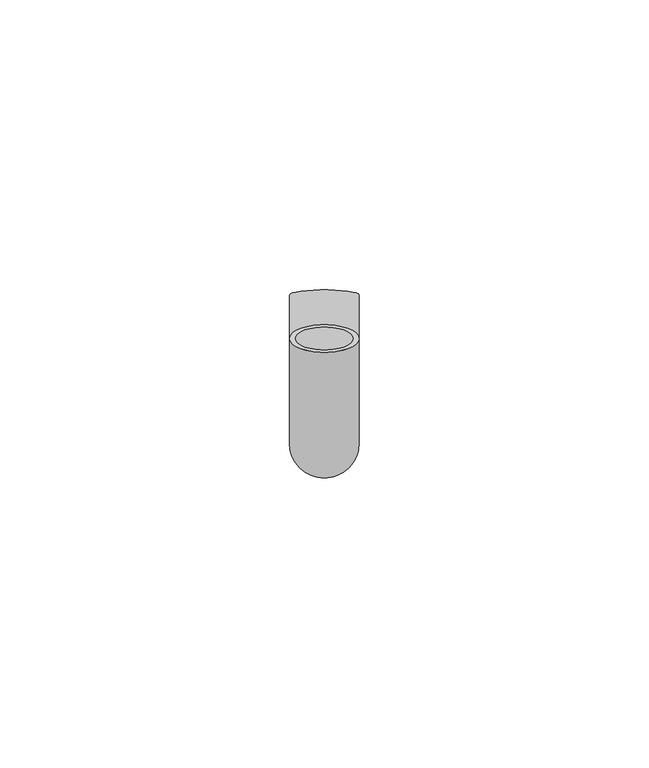
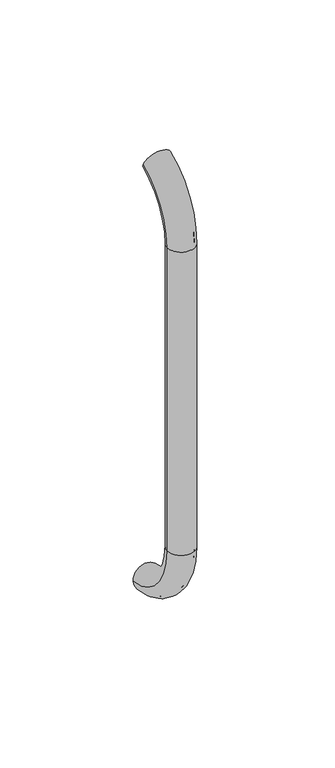
"""IFC4 building model written with IfcOpenShell, lengths in millimetres: beam geometry."""

from ifc_helpers import new_model, si_unit, point, frame, origin, place, context, project, spatial, polyline, circle_curve, ellipse_curve, trimmed, source, transform, mapped, element, save
from ifc_brep_helpers import plane_surface, cylinder_surface, revolved_surface, advanced_brep


def beam_58a1df82(model_context):
    return source(origin(), model_context, "Body", "AdvancedBrep", [
        advanced_brep(
        [(3911.4386176, 2444.0395554, 1993.7787656), (3923.4386176, 2444.0395554, 1993.7787656), (3912.4386176, 2444.0395554, 1993.7787656), (3922.4386176, 2444.0395554, 1993.7787656), (3922.4386176, 2425.9629385, 1966.25), (3912.4386176, 2425.9629385, 1966.25), (3923.4386176, 2425.9629385, 1966.25), (3911.4386176, 2425.9629385, 1966.25), (3912.4386176, 2425.9629385, 1826.25), (3922.4386176, 2425.9629385, 1826.25), (3911.4386176, 2425.9629385, 1826.25), (3923.4386176, 2425.9629385, 1826.25), (3911.4386176, 2451.5825147, 1796.5715249), (3923.4386176, 2451.5825147, 1796.5715249), (3912.4386176, 2451.5825147, 1796.5715249), (3922.4386176, 2451.5825147, 1796.5715249)],
        [
            (0, 1, circle_curve(frame((3917.4386176, 2444.0395554, 1993.7787656), z_axis=(0.0, 0.9176255197351176, 0.3974461039321624), x_axis=(1.0, 0.0, 0.0)), 6.0)),
            (1, 0, circle_curve(frame((3917.4386176, 2444.0395554, 1993.7787656), z_axis=(0.0, 0.9176255197351176, 0.3974461039321624), x_axis=(1.0, 0.0, 0.0)), 6.0)),
            (2, 3, circle_curve(frame((3917.4386176, 2444.0395554, 1993.7787656), z_axis=(0.0, -0.9176255197351176, -0.3974461039321624), x_axis=(1.0, 0.0, 0.0)), 5.0)),
            (3, 2, circle_curve(frame((3917.4386176, 2444.0395554, 1993.7787656), z_axis=(0.0, -0.9176255197351176, -0.3974461039321624), x_axis=(1.0, 0.0, 0.0)), 5.0)),
            (4, 3, circle_curve(frame((3922.4386176, 2455.9629385, 1966.25), z_axis=(-1.0, 0.0, 0.0), x_axis=(0.0, -0.3974461039321624, 0.9176255197351176)), 30.0)),
            (2, 5, circle_curve(frame((3912.4386176, 2455.9629385, 1966.25), z_axis=(1.0, 0.0, 0.0), x_axis=(0.0, -0.3974461039321624, 0.9176255197351176)), 30.0)),
            (5, 4, circle_curve(frame((3917.4386176, 2425.9629385, 1966.25), z_axis=(0.0, 0.0, -1.0), x_axis=(1.0, 0.0, 0.0)), 5.0)),
            (4, 5, circle_curve(frame((3917.4386176, 2425.9629385, 1966.25), z_axis=(0.0, 0.0, -1.0), x_axis=(1.0, 0.0, 0.0)), 5.0)),
            (6, 1, circle_curve(frame((3923.4386176, 2455.9629385, 1966.25), z_axis=(-1.0, 0.0, 0.0), x_axis=(0.0, -0.3974461039321624, 0.9176255197351176)), 30.0)),
            (0, 7, circle_curve(frame((3911.4386176, 2455.9629385, 1966.25), z_axis=(1.0, 0.0, 0.0), x_axis=(0.0, -0.3974461039321624, 0.9176255197351176)), 30.0)),
            (7, 6, circle_curve(frame((3917.4386176, 2425.9629385, 1966.25), z_axis=(0.0, 0.0, 1.0), x_axis=(1.0, 0.0, 0.0)), 6.0)),
            (6, 7, circle_curve(frame((3917.4386176, 2425.9629385, 1966.25), z_axis=(0.0, 0.0, 1.0), x_axis=(1.0, 0.0, 0.0)), 6.0)),
            (5, 8),
            (8, 9, circle_curve(frame((3917.4386176, 2425.9629385, 1826.25), z_axis=(0.0, 0.0, -1.0), x_axis=(1.0, 0.0, 0.0)), 5.0)),
            (9, 4),
            (9, 8, circle_curve(frame((3917.4386176, 2425.9629385, 1826.25), z_axis=(0.0, 0.0, -1.0), x_axis=(1.0, 0.0, 0.0)), 5.0)),
            (7, 10),
            (10, 11, circle_curve(frame((3917.4386176, 2425.9629385, 1826.25), z_axis=(0.0, 0.0, 1.0), x_axis=(1.0, 0.0, 0.0)), 6.0)),
            (11, 6),
            (11, 10, circle_curve(frame((3917.4386176, 2425.9629385, 1826.25), z_axis=(0.0, 0.0, 1.0), x_axis=(1.0, 0.0, 0.0)), 6.0)),
            (12, 13, circle_curve(frame((3917.4386176, 2451.5825147, 1796.5715249), z_axis=(0.0, 0.9892825047438852, -0.14601412879466394), x_axis=(1.0, 0.0, 0.0)), 6.0)),
            (13, 12, circle_curve(frame((3917.4386176, 2451.5825147, 1796.5715249), z_axis=(0.0, 0.9892825047438852, -0.14601412879466394), x_axis=(1.0, 0.0, 0.0)), 6.0)),
            (14, 15, circle_curve(frame((3917.4386176, 2451.5825147, 1796.5715249), z_axis=(0.0, -0.9892825047438852, 0.14601412879466394), x_axis=(1.0, 0.0, 0.0)), 5.0)),
            (15, 14, circle_curve(frame((3917.4386176, 2451.5825147, 1796.5715249), z_axis=(0.0, -0.9892825047438852, 0.14601412879466394), x_axis=(1.0, 0.0, 0.0)), 5.0)),
            (15, 9, circle_curve(frame((3922.4386176, 2455.9629385, 1826.25), z_axis=(-1.0, 0.0, 0.0), x_axis=(0.0, -1.0, 0.0)), 30.0)),
            (8, 14, circle_curve(frame((3912.4386176, 2455.9629385, 1826.25), z_axis=(1.0, 0.0, 0.0), x_axis=(0.0, -1.0, 0.0)), 30.0)),
            (13, 11, circle_curve(frame((3923.4386176, 2455.9629385, 1826.25), z_axis=(-1.0, 0.0, 0.0), x_axis=(0.0, -1.0, 0.0)), 30.0)),
            (10, 12, circle_curve(frame((3911.4386176, 2455.9629385, 1826.25), z_axis=(1.0, 0.0, 0.0), x_axis=(0.0, -1.0, 0.0)), 30.0)),
        ],
        [
            plane_surface(frame((3917.4386176, 2444.0395554, 1993.7787656), z_axis=(0.0, 0.9176255197351176, 0.3974461039321624), x_axis=(1.0, 0.0, 0.0))),
            revolved_surface(trimmed(ellipse_curve(frame((3917.4386176, 2444.0395554, 1993.7787656), z_axis=(0.0, -0.9176255197351176, -0.3974461039321624), x_axis=(1.0, 0.0, 0.0)), 5.0, 5.0), [point((3912.4386176, 2444.0395554, 1993.7787656))], [point((3922.4386176, 2444.0395554, 1993.7787656))], True, "CARTESIAN"), (3917.4386176, 2455.9629385, 1966.25), (1.0, 0.0, 0.0)),
            revolved_surface(trimmed(ellipse_curve(frame((3917.4386176, 2444.0395554, 1993.7787656), z_axis=(0.0, -0.9176255197351176, -0.3974461039321624), x_axis=(1.0, 0.0, 0.0)), 5.0, 5.0), [point((3922.4386176, 2444.0395554, 1993.7787656))], [point((3912.4386176, 2444.0395554, 1993.7787656))], True, "CARTESIAN"), (3917.4386176, 2455.9629385, 1966.25), (1.0, 0.0, 0.0)),
            revolved_surface(trimmed(ellipse_curve(frame((3917.4386176, 2444.0395554, 1993.7787656), z_axis=(0.0, 0.9176255197351176, 0.3974461039321624), x_axis=(1.0, 0.0, 0.0)), 6.0, 6.0), [point((3911.4386176, 2444.0395554, 1993.7787656))], [point((3923.4386176, 2444.0395554, 1993.7787656))], True, "CARTESIAN"), (3917.4386176, 2455.9629385, 1966.25), (1.0, 0.0, 0.0)),
            revolved_surface(trimmed(ellipse_curve(frame((3917.4386176, 2444.0395554, 1993.7787656), z_axis=(0.0, 0.9176255197351176, 0.3974461039321624), x_axis=(1.0, 0.0, 0.0)), 6.0, 6.0), [point((3923.4386176, 2444.0395554, 1993.7787656))], [point((3911.4386176, 2444.0395554, 1993.7787656))], True, "CARTESIAN"), (3917.4386176, 2455.9629385, 1966.25), (1.0, 0.0, 0.0)),
            revolved_surface(polyline([(3922.4386176, 2425.9629385, 1826.25), (3922.4386176, 2425.9629385, 1966.25)]), (3917.4386176, 2425.9629385, 1966.25), (0.0, 0.0, -1.0)),
            cylinder_surface(frame((3917.4386176, 2425.9629385, 1966.25), z_axis=(0.0, 0.0, 1.0), x_axis=(1.0, 0.0, 0.0)), 6.0),
            plane_surface(frame((3917.4386176, 2451.5825147, 1796.5715249), z_axis=(0.0, 0.9892825047438852, -0.14601412879466397), x_axis=(1.0, 0.0, 0.0))),
            revolved_surface(trimmed(ellipse_curve(frame((3917.4386176, 2425.9629385, 1826.25), z_axis=(0.0, 0.0, -1.0), x_axis=(1.0, 0.0, 0.0)), 5.0, 5.0), [point((3912.4386176, 2425.9629385, 1826.25))], [point((3922.4386176, 2425.9629385, 1826.25))], True, "CARTESIAN"), (3917.4386176, 2455.9629385, 1826.25), (1.0, 0.0, 0.0)),
            revolved_surface(trimmed(ellipse_curve(frame((3917.4386176, 2425.9629385, 1826.25), z_axis=(0.0, 0.0, -1.0), x_axis=(1.0, 0.0, 0.0)), 5.0, 5.0), [point((3922.4386176, 2425.9629385, 1826.25))], [point((3912.4386176, 2425.9629385, 1826.25))], True, "CARTESIAN"), (3917.4386176, 2455.9629385, 1826.25), (1.0, 0.0, 0.0)),
            revolved_surface(trimmed(ellipse_curve(frame((3917.4386176, 2425.9629385, 1826.25), z_axis=(0.0, 0.0, 1.0), x_axis=(1.0, 0.0, 0.0)), 6.0, 6.0), [point((3911.4386176, 2425.9629385, 1826.25))], [point((3923.4386176, 2425.9629385, 1826.25))], True, "CARTESIAN"), (3917.4386176, 2455.9629385, 1826.25), (1.0, 0.0, 0.0)),
            revolved_surface(trimmed(ellipse_curve(frame((3917.4386176, 2425.9629385, 1826.25), z_axis=(0.0, 0.0, 1.0), x_axis=(1.0, 0.0, 0.0)), 6.0, 6.0), [point((3923.4386176, 2425.9629385, 1826.25))], [point((3911.4386176, 2425.9629385, 1826.25))], True, "CARTESIAN"), (3917.4386176, 2455.9629385, 1826.25), (1.0, 0.0, 0.0)),
        ],
        [
            (0, [[1, 2], [3, 4]]),
            (1, [[5, -3, 6, 7]]),
            (2, [[-6, -4, -5, 8]]),
            (3, [[9, -1, 10, 11]]),
            (4, [[-10, -2, -9, 12]]),
            (5, [[-7, 13, 14, 15]]),
            (5, [[-8, -15, 16, -13]]),
            (6, [[-11, 17, 18, 19]]),
            (6, [[-12, -19, 20, -17]]),
            (7, [[21, 22], [23, 24]]),
            (8, [[25, -14, 26, -24]]),
            (9, [[-26, -16, -25, -23]]),
            (10, [[27, -18, 28, -22]]),
            (11, [[-28, -20, -27, -21]]),
        ],
    ),
    ])


if __name__ == "__main__":
    model = new_model("IFC4")
    model_context = context("Model", 3, world=origin())
    ifc_project = project(units=[si_unit("LENGTHUNIT", "METRE", prefix="MILLI")], contexts=[model_context])
    site = spatial("IfcSite", under=ifc_project)
    building = spatial("IfcBuilding", under=site)
    placement = place(None, origin())
    beam_shape = beam_58a1df82(model_context)
    element("IfcBeam", 1, at=placement, inside=building, context=model_context, shape_type="MappedRepresentation", body=[
        mapped(beam_shape, transform((0.0, 0.0, 0.0), x_axis=(1.0, 0.0, 0.0), y_axis=(0.0, 1.0, 0.0), z_axis=(0.0, 0.0, 1.0))),
    ])
    save(model, "model.ifc")
